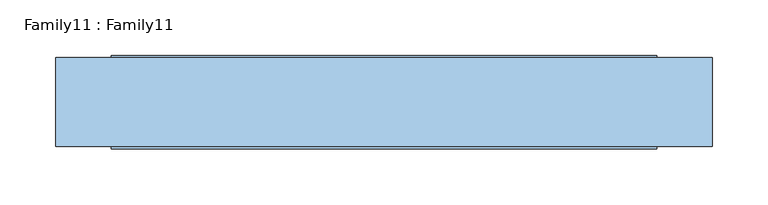
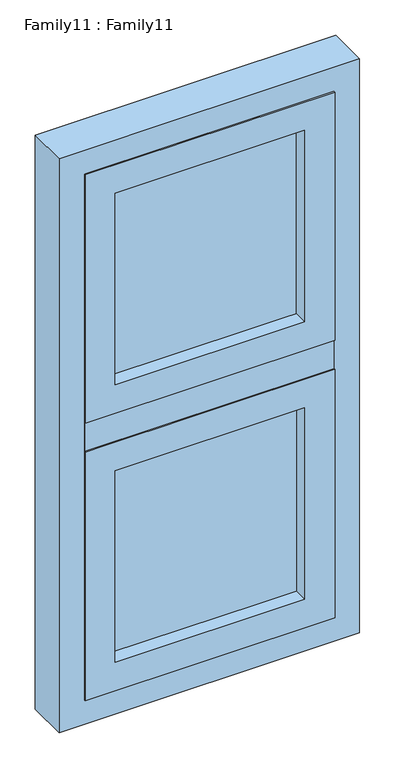
"""IFC4 building model written with IfcOpenShell, lengths in millimetres: window geometry, Family11 : Family11."""

from ifc_helpers import new_model, si_unit, frame, origin, place, context, project, spatial, polyline, outline, extrude, source, transform, mapped, element, save


def family11_family11_7c7571ca(model_context):
    return source(origin(), model_context, "Body", "SweptSolid", [
        extrude(outline(polyline([(186.0, -10.0), (186.0, -14.0), (-186.0, -14.0), (-186.0, -10.0), (186.0, -10.0)])), frame((0.0, 0.0, 909.0), z_axis=(0.0, 0.0, 1.0), x_axis=(1.0, 0.0, 0.0)), (0.0, 0.0, 1.0), 397.0),
        extrude(outline(polyline([(186.0, 14.0), (186.0, 10.0), (-186.0, 10.0), (-186.0, 14.0), (186.0, 14.0)])), frame((0.0, 0.0, 909.0), z_axis=(0.0, 0.0, 1.0), x_axis=(1.0, 0.0, 0.0)), (0.0, 0.0, 1.0), 397.0),
        extrude(outline(polyline([(1365.0, 245.0), (1365.0, -245.0), (850.0, -245.0), (850.0, 245.0), (1365.0, 245.0)]), holes=[polyline([(909.0, 186.0), (909.0, -186.0), (1306.0, -186.0), (1306.0, 186.0), (909.0, 186.0)])]), frame((0.0, -42.0, 0.0), z_axis=(0.0, 1.0, 0.0), x_axis=(0.0, 0.0, 1.0)), (0.0, 0.0, 1.0), 84.0),
        extrude(outline(polyline([(1940.0, 245.0), (1940.0, -245.0), (1425.0, -245.0), (1425.0, 245.0), (1940.0, 245.0)]), holes=[polyline([(1484.0, 186.0), (1484.0, -186.0), (1881.0, -186.0), (1881.0, 186.0), (1484.0, 186.0)])]), frame((0.0, -42.0, 0.0), z_axis=(0.0, 1.0, 0.0), x_axis=(0.0, 0.0, 1.0)), (0.0, 0.0, 1.0), 84.0),
        extrude(outline(polyline([(1990.0, 295.0), (1990.0, -295.0), (800.0, -295.0), (800.0, 295.0), (1990.0, 295.0)]), holes=[polyline([(850.0, 245.0), (850.0, -245.0), (1940.0, -245.0), (1940.0, 245.0), (850.0, 245.0)])]), frame((0.0, -40.0, 0.0), z_axis=(0.0, 1.0, 0.0), x_axis=(0.0, 0.0, 1.0)), (0.0, 0.0, 1.0), 80.0),
        extrude(outline(polyline([(186.0, -10.0), (186.0, -14.0), (-186.0, -14.0), (-186.0, -10.0), (186.0, -10.0)])), frame((0.0, 0.0, 1484.0), z_axis=(0.0, 0.0, 1.0), x_axis=(1.0, 0.0, 0.0)), (0.0, 0.0, 1.0), 397.0),
        extrude(outline(polyline([(186.0, 14.0), (186.0, 10.0), (-186.0, 10.0), (-186.0, 14.0), (186.0, 14.0)])), frame((0.0, 0.0, 1484.0), z_axis=(0.0, 0.0, 1.0), x_axis=(1.0, 0.0, 0.0)), (0.0, 0.0, 1.0), 397.0),
        extrude(outline(polyline([(245.0, -40.0), (-245.0, -40.0), (-245.0, 40.0), (245.0, 40.0), (245.0, -40.0)])), frame((0.0, 0.0, 1365.0), z_axis=(0.0, 0.0, 1.0), x_axis=(1.0, 0.0, 0.0)), (0.0, 0.0, 1.0), 60.0),
    ])


if __name__ == "__main__":
    model = new_model("IFC4")
    model_context = context("Model", 3, world=origin())
    ifc_project = project(units=[si_unit("LENGTHUNIT", "METRE", prefix="MILLI")], contexts=[model_context])
    site = spatial("IfcSite", under=ifc_project)
    building = spatial("IfcBuilding", under=site)
    placement = place(None, origin())
    family11_family11_shape = family11_family11_7c7571ca(model_context)
    element("IfcWindow", 1, ObjectType="Family11 : Family11", at=placement, inside=building, context=model_context, shape_type="MappedRepresentation", body=[
        mapped(family11_family11_shape, transform((0.0, 0.0, 0.0), x_axis=(1.0, 0.0, 0.0), y_axis=(0.0, 1.0, 0.0), z_axis=(0.0, 0.0, 1.0))),
    ])
    save(model, "model.ifc")
